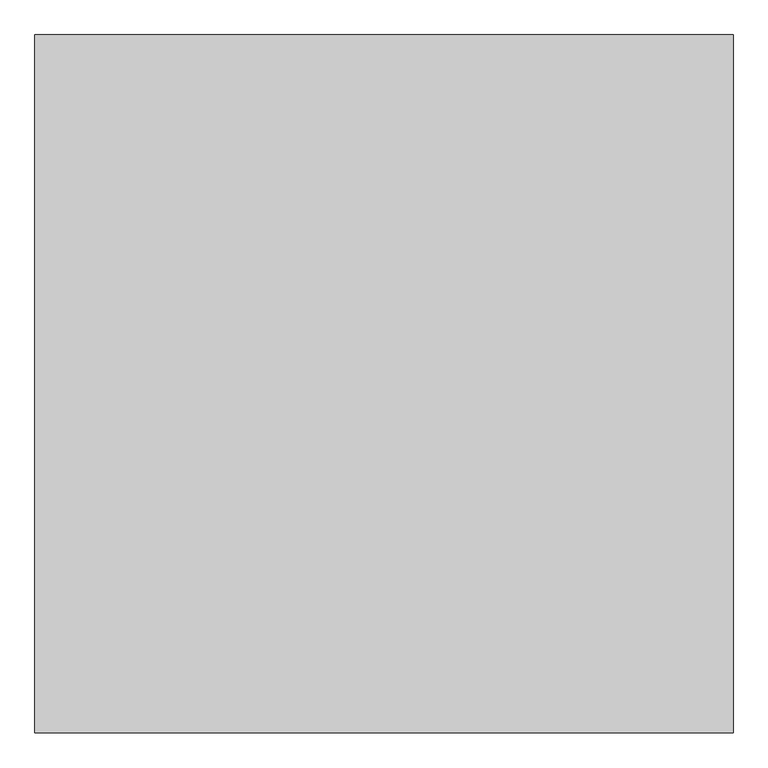
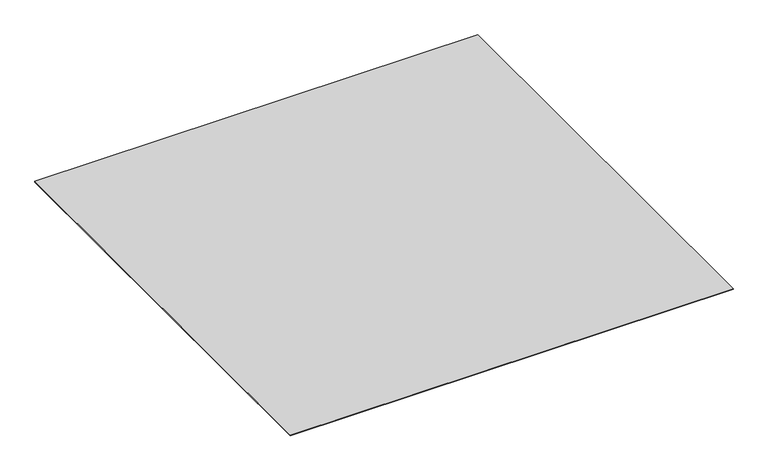
"""IFC4 building model written with IfcOpenShell, lengths in millimetres: proxy geometry."""

from ifc_helpers import new_model, si_unit, origin, origin_with_axes, place, context, project, spatial, polyline, outline, extrude, source, transform, mapped, element, save


def generic_models_a217f300(model_context):
    return source(origin(), model_context, "Body", "SweptSolid", [
        extrude(outline(polyline([(-16196.9237868, -22287.355679), (-16196.9237868, -23287.355679), (-17196.9237868, -23287.355679), (-17196.9237868, -22287.355679), (-16196.9237868, -22287.355679)])), origin_with_axes(), (0.0, 0.0, 1.0), 1.3),
    ])


if __name__ == "__main__":
    model = new_model("IFC4")
    model_context = context("Model", 3, world=origin())
    ifc_project = project(units=[si_unit("LENGTHUNIT", "METRE", prefix="MILLI")], contexts=[model_context])
    site = spatial("IfcSite", under=ifc_project)
    building = spatial("IfcBuilding", under=site)
    placement = place(None, origin())
    generic_models_shape = generic_models_a217f300(model_context)
    element("IfcBuildingElementProxy", 1, Name="Generic Models", at=placement, inside=building, context=model_context, shape_type="MappedRepresentation", body=[
        mapped(generic_models_shape, transform((0.0, 0.0, 0.0), x_axis=(1.0, 0.0, 0.0), y_axis=(0.0, 1.0, 0.0), z_axis=(0.0, 0.0, 1.0))),
    ])
    save(model, "model.ifc")
